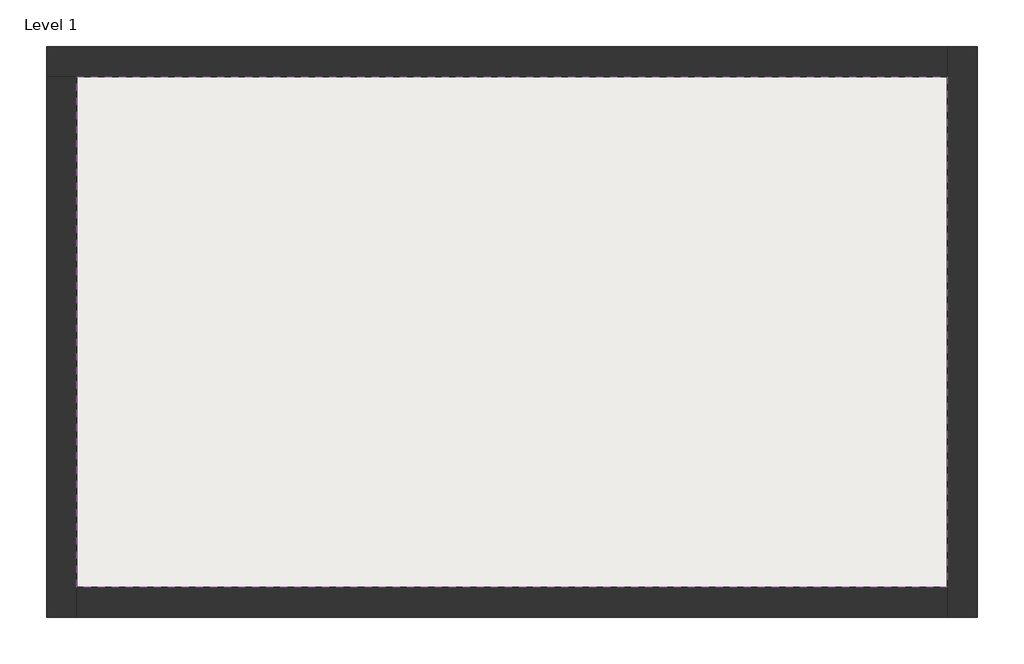
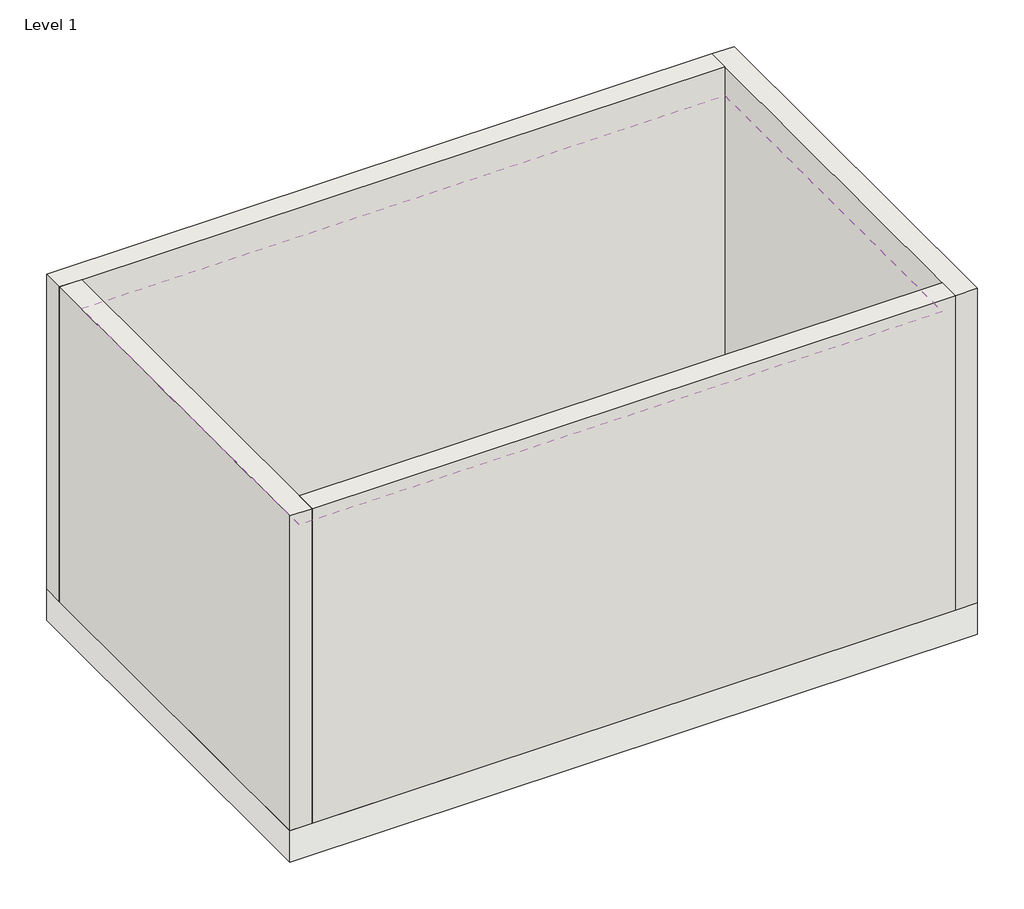
# One storey: 4 walls, 1 covering, 1 slab.
"""IFC4 building model written with IfcOpenShell, lengths in millimetres."""

from ifc_helpers import new_model, si_unit, frame, origin, origin_with_axes, place, context, project, spatial, polyline, outline, extrude, faceted_brep, element, save

model = new_model("IFC4")

# Units and contexts
model_context = context("Model", 3, world=origin())
ifc_project = project(units=[si_unit("LENGTHUNIT", "METRE", prefix="MILLI")], contexts=[model_context])

# Site, building, storey
site = spatial("IfcSite", under=ifc_project)
building = spatial("IfcBuilding", under=site)
storey = spatial("IfcBuildingStorey", under=building, Name="Level 1", Elevation=0.0)

# Covering
placement = place(None, origin())
element("IfcCovering", 1, ObjectType="2' x 4' ACT System", at=placement, inside=storey, context=model_context, shape_type="SweptSolid", body=[
    extrude(outline(polyline([(-12179.631149, 10176.9849838), (-6286.831149, 10176.9849838), (-6286.831149, 6722.5849838), (-12179.631149, 6722.5849838), (-12179.631149, 10176.9849838)])), frame((0.0, 0.0, 2768.6), z_axis=(0.0, 0.0, 1.0), x_axis=(1.0, 0.0, 0.0)), (0.0, 0.0, 1.0), 57.15),
])

# Slab
element("IfcSlab", 2, ObjectType="Generic - 12\"", at=placement, inside=storey, context=model_context, shape_type="SweptSolid", body=[
    extrude(outline(polyline([(-12382.831149, 10380.1849838), (-6083.631149, 10380.1849838), (-6083.631149, 6519.3849838), (-12382.831149, 6519.3849838), (-12382.831149, 10380.1849838)])), frame((0.0, 0.0, -304.8), z_axis=(0.0, 0.0, 1.0), x_axis=(1.0, 0.0, 0.0)), (0.0, 0.0, 1.0), 304.8),
])

# Walls
element("IfcWall", 3, ObjectType="Generic - 8\"", at=placement, inside=storey, context=model_context, shape_type="Brep", body=[
    faceted_brep([(-12382.831149, 10176.9849838, 0.0), (-12179.631149, 10176.9849838, 0.0), (-6286.831149, 10176.9849838, 0.0), (-6286.831149, 10176.9849838, 3048.0), (-12179.631149, 10176.9849838, 3048.0), (-12382.831149, 10176.9849838, 3048.0), (-12382.831149, 10380.1849838, 0.0), (-12382.831149, 10380.1849838, 3048.0), (-6286.831149, 10380.1849838, 3048.0), (-6286.831149, 10380.1849838, 0.0)], [[[0, 1, 2, 3, 4, 5]], [[6, 7, 8, 9]], [[2, 1, 0, 6, 9]], [[5, 4, 3, 8, 7]], [[0, 5, 7, 6]], [[3, 2, 9, 8]]]),
])
element("IfcWall", 4, ObjectType="Generic - 8\"", at=placement, inside=storey, context=model_context, shape_type="Brep", body=[
    faceted_brep([(-12179.631149, 6519.3849838, 0.0), (-12179.631149, 6722.5849838, 0.0), (-12179.631149, 10176.9849838, 0.0), (-12179.631149, 10176.9849838, 3048.0), (-12179.631149, 6722.5849838, 3048.0), (-12179.631149, 6519.3849838, 3048.0), (-12382.831149, 6519.3849838, 0.0), (-12382.831149, 6519.3849838, 3048.0), (-12382.831149, 10176.9849838, 3048.0), (-12382.831149, 10176.9849838, 0.0)], [[[0, 1, 2, 3, 4, 5]], [[6, 7, 8, 9]], [[2, 1, 0, 6, 9]], [[5, 4, 3, 8, 7]], [[0, 5, 7, 6]], [[3, 2, 9, 8]]]),
])
element("IfcWall", 5, ObjectType="Generic - 8\"", at=placement, inside=storey, context=model_context, shape_type="SweptSolid", body=[
    extrude(outline(polyline([(-12179.631149, 6722.5849838), (-6286.831149, 6722.5849838), (-6286.831149, 6519.3849838), (-12179.631149, 6519.3849838), (-12179.631149, 6722.5849838)])), origin_with_axes(), (0.0, 0.0, 1.0), 3048.0),
])
element("IfcWall", 6, ObjectType="Generic - 8\"", at=placement, inside=storey, context=model_context, shape_type="Brep", body=[
    faceted_brep([(-6286.831149, 10380.1849838, 0.0), (-6286.831149, 10176.9849838, 0.0), (-6286.831149, 6722.5849838, 0.0), (-6286.831149, 6519.3849838, 0.0), (-6286.831149, 6519.3849838, 3048.0), (-6286.831149, 6722.5849838, 3048.0), (-6286.831149, 10176.9849838, 3048.0), (-6286.831149, 10380.1849838, 3048.0), (-6083.631149, 10380.1849838, 0.0), (-6083.631149, 10380.1849838, 3048.0), (-6083.631149, 6519.3849838, 3048.0), (-6083.631149, 6519.3849838, 0.0)], [[[0, 1, 2, 3, 4, 5, 6, 7]], [[8, 9, 10, 11]], [[3, 2, 1, 0, 8, 11]], [[7, 6, 5, 4, 10, 9]], [[0, 7, 9, 8]], [[4, 3, 11, 10]]]),
])

save(model, "model.ifc")
